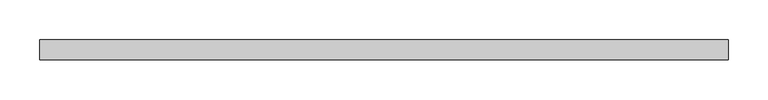
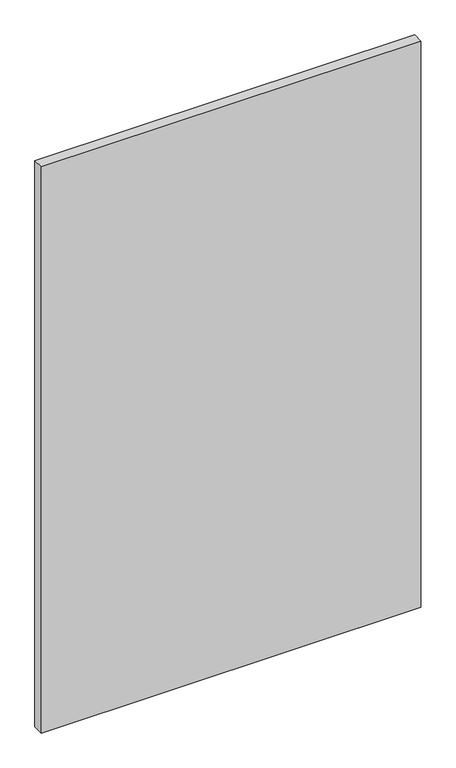
"""IFC4 building model written with IfcOpenShell, lengths in millimetres: plate geometry."""

from ifc_helpers import new_model, si_unit, origin, origin_with_axes, place, context, project, spatial, polyline, outline, extrude, source, transform, mapped, element, save


def plate_7c847df8(model_context):
    return source(origin(), model_context, "Body", "SweptSolid", [
        extrude(outline(polyline([(432.9674082, -49.5), (-432.9674082, -49.5), (-432.9674082, -24.5), (432.9674082, -24.5), (432.9674082, -49.5)])), origin_with_axes(), (0.0, 0.0, 1.0), 1365.0),
    ])


if __name__ == "__main__":
    model = new_model("IFC4")
    model_context = context("Model", 3, world=origin())
    ifc_project = project(units=[si_unit("LENGTHUNIT", "METRE", prefix="MILLI")], contexts=[model_context])
    site = spatial("IfcSite", under=ifc_project)
    building = spatial("IfcBuilding", under=site)
    placement = place(None, origin())
    plate_shape = plate_7c847df8(model_context)
    element("IfcPlate", 1, at=placement, inside=building, context=model_context, shape_type="MappedRepresentation", body=[
        mapped(plate_shape, transform((0.0, 0.0, 0.0), x_axis=(1.0, 0.0, 0.0), y_axis=(0.0, 1.0, 0.0), z_axis=(0.0, 0.0, 1.0))),
    ])
    save(model, "model.ifc")
